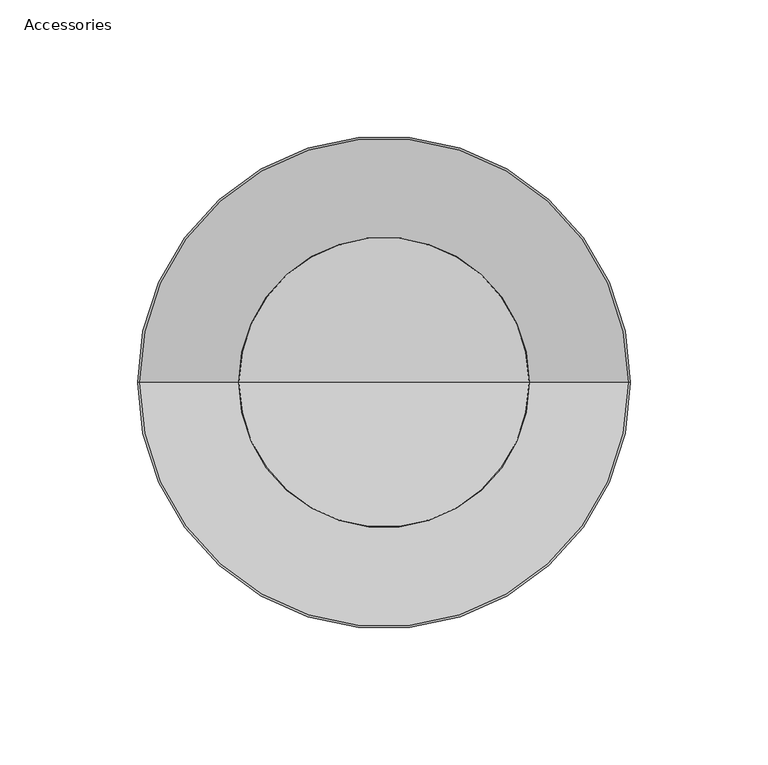
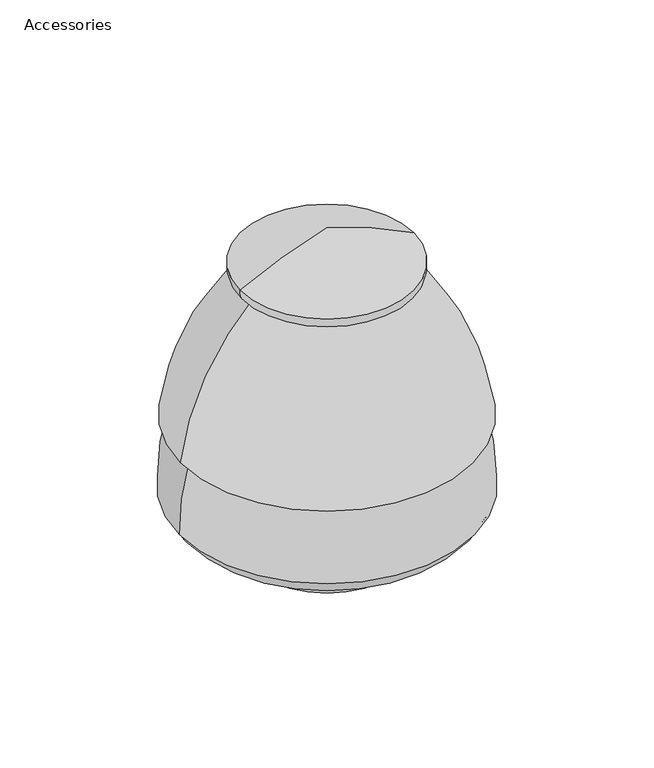
"""IFC4 building model written with IfcOpenShell, lengths in millimetres: furniture geometry, Accessories."""

import ifcopenshell
import ifcopenshell.guid

model = None  # the IFC model being written
_history = None  # IfcOwnerHistory: only IFC2X3 demands one
_inside = {}  # id of a spatial element -> (the spatial element, [elements in it])
_under = {}  # id of a project, library or spatial element -> (it, [spatial elements below it])
_declared = {}  # id of a project -> (the project, [libraries it declares])
_typed = {}  # id of a type object -> (the type object, [elements of that type])
_made_of = {}  # id of a material, layer set ... -> (it, [elements and type objects made of it])


def new_model(schema):
    """Start an empty IFC model of exactly this schema.

    Asked for "IFC4X3", IfcOpenShell would pick the latest addendum, in which some entities
    have other attributes; the version numbers below select the first issue.
    IFC2X3 requires an IfcOwnerHistory on every rooted entity: one is made here for all.
    """
    global model, _history
    if schema == "IFC4X3":
        model = ifcopenshell.file(schema_version=(4, 3, 0, 0))
    else:
        model = ifcopenshell.file(schema=schema)
    _inside.clear()
    _under.clear()
    _declared.clear()
    _typed.clear()
    _made_of.clear()
    _history = None
    if model.schema == "IFC2X3":
        org = make("IfcOrganization", Name="unknown")
        user = make(
            "IfcPersonAndOrganization",
            ThePerson=make("IfcPerson", FamilyName="unknown"),
            TheOrganization=org,
        )
        app = make(
            "IfcApplication",
            ApplicationDeveloper=org,
            Version="unknown",
            ApplicationFullName="unknown",
            ApplicationIdentifier="unknown",
        )
        _history = make(
            "IfcOwnerHistory",
            OwningUser=user,
            OwningApplication=app,
            ChangeAction="ADDED",
            CreationDate=0,
        )
    return model


def make(cls, **values):
    """One entity of the class cls with the attributes given. An attribute that is None is left unset."""
    return model.create_entity(
        cls, **{name: value for name, value in values.items() if value is not None}
    )


def rooted(cls, **values):
    """An entity with a GlobalId (a new one), such as an element, a storey or a relation."""
    return make(cls, GlobalId=ifcopenshell.guid.new(), OwnerHistory=_history, **values)


def si_unit(unit_type, name, prefix=None):
    """IfcSIUnit, for example si_unit("LENGTHUNIT", "METRE", prefix="MILLI")."""
    return make("IfcSIUnit", UnitType=unit_type, Prefix=prefix, Name=name)


def assignment(units):
    """IfcUnitAssignment: the units of a project."""
    return None if units is None else make("IfcUnitAssignment", Units=units)


def point(xyz):
    """IfcCartesianPoint."""
    return None if xyz is None else make("IfcCartesianPoint", Coordinates=xyz)


def direction(xyz):
    """IfcDirection."""
    return None if xyz is None else make("IfcDirection", DirectionRatios=xyz)


def frame(location, z_axis=None, x_axis=None):
    """IfcAxis2Placement3D, a coordinate frame: its origin and axes. An axis left out is left unset."""
    return make(
        "IfcAxis2Placement3D",
        Location=point(location),
        Axis=direction(z_axis),
        RefDirection=direction(x_axis),
    )


def origin():
    """The frame at (0, 0, 0) with its axes left unset."""
    return frame((0.0, 0.0, 0.0))


def place(relative_to, where):
    """IfcLocalPlacement: puts the frame where relative to a parent placement (None: the world)."""
    return make(
        "IfcLocalPlacement", PlacementRelTo=relative_to, RelativePlacement=where
    )


def context(
    kind, dimensions, precision=None, world=None, true_north=None, identifier=None
):
    """IfcGeometricRepresentationContext, for example the 3D "Model" context."""
    return make(
        "IfcGeometricRepresentationContext",
        ContextIdentifier=identifier,
        ContextType=kind,
        CoordinateSpaceDimension=dimensions,
        Precision=precision,
        WorldCoordinateSystem=world,
        TrueNorth=true_north,
    )


def project(units=None, contexts=None):
    """IfcProject with its units and contexts."""
    return rooted(
        "IfcProject",
        Name="project",
        RepresentationContexts=contexts,
        UnitsInContext=assignment(units),
    )


def spatial(cls, under=None, at=None, **own):
    """A site, building, storey or space (cls), placed at a placement, below another one or the project."""
    s = rooted(cls, ObjectPlacement=at, **own)
    if under is not None:
        _under.setdefault(under.id(), (under, []))[1].append(s)
    return s


def polyline(points):
    """IfcPolyline through the points."""
    return make("IfcPolyline", Points=[point(p) for p in points])


def circle_curve(where, radius):
    """IfcCircle in the frame where."""
    return make("IfcCircle", Position=where, Radius=radius)


def ellipse_curve(where, semi_axis1, semi_axis2):
    """IfcEllipse in the frame where."""
    return make(
        "IfcEllipse", Position=where, SemiAxis1=semi_axis1, SemiAxis2=semi_axis2
    )


def trimmed(basis, trim1, trim2, sense, master):
    """IfcTrimmedCurve: the piece of a basis curve between two trims."""
    return make(
        "IfcTrimmedCurve",
        BasisCurve=basis,
        Trim1=trim1,
        Trim2=trim2,
        SenseAgreement=sense,
        MasterRepresentation=master,
    )


def shape(context_of_items, identifier, shape_type, items):
    """IfcShapeRepresentation: the items that make up one representation, for example the "Body"."""
    return make(
        "IfcShapeRepresentation",
        ContextOfItems=context_of_items,
        RepresentationIdentifier=identifier,
        RepresentationType=shape_type,
        Items=items,
    )


def source(mapping_origin, context_of_items, identifier, shape_type, items):
    """IfcRepresentationMap: a shape defined once, which mapped items show again and again."""
    return make(
        "IfcRepresentationMap",
        MappingOrigin=mapping_origin,
        MappedRepresentation=shape(context_of_items, identifier, shape_type, items),
    )


def transform(
    local_origin,
    x_axis=None,
    y_axis=None,
    z_axis=None,
    scale=None,
    scale2=None,
    scale3=None,
    uniform=True,
):
    """IfcCartesianTransformationOperator3D, or its non-uniform kind. x_axis, y_axis, z_axis: its Axis1, 2, 3."""
    if uniform:
        return make(
            "IfcCartesianTransformationOperator3D",
            Axis1=direction(x_axis),
            Axis2=direction(y_axis),
            LocalOrigin=point(local_origin),
            Scale=scale,
            Axis3=direction(z_axis),
        )
    return make(
        "IfcCartesianTransformationOperator3DnonUniform",
        Axis1=direction(x_axis),
        Axis2=direction(y_axis),
        LocalOrigin=point(local_origin),
        Scale=scale,
        Axis3=direction(z_axis),
        Scale2=scale2,
        Scale3=scale3,
    )


def mapped(mapping_source, mapping_target):
    """IfcMappedItem: shows the shape of a source again, moved by a transform."""
    return make(
        "IfcMappedItem", MappingSource=mapping_source, MappingTarget=mapping_target
    )


def made_of(thing, what):
    """Note that an element or type object is made of a material, layer set ...; save() writes the relation."""
    if what is not None:
        _made_of.setdefault(what.id(), (what, []))[1].append(thing)
    return thing


def element(
    cls,
    number,
    at=None,
    inside=None,
    cuts=None,
    type_object=None,
    material=None,
    context=None,
    identifier="Body",
    shape_type=None,
    held_by="IfcProductDefinitionShape",
    body=None,
    shapes=None,
    **own,
):
    """One element of the class cls, such as IfcWall. Its Tag is "e" and its number.

    at: its placement. inside: the storey or other place that contains it. cuts: it is an
    opening in that element (IfcRelVoidsElement). A single representation is given by context,
    identifier, shape_type and body (its items); several are given by shapes. held_by: the class
    of the entity that holds the representations. save() writes the other relations.
    """
    e = rooted(cls, Tag="e%d" % number, ObjectPlacement=at, **own)
    if body is not None:
        shapes = [shape(context, identifier, shape_type, body)]
    if shapes is not None:
        e.Representation = make(held_by, Representations=shapes)
    if inside is not None:
        _inside.setdefault(inside.id(), (inside, []))[1].append(e)
    if cuts is not None:
        rooted(
            "IfcRelVoidsElement", RelatingBuildingElement=cuts, RelatedOpeningElement=e
        )
    if type_object is not None:
        _typed.setdefault(type_object.id(), (type_object, []))[1].append(e)
    return made_of(e, material)


def aggregate(whole, parts):
    """IfcRelAggregates: a whole, such as a stair, and the parts it consists of."""
    return rooted("IfcRelAggregates", RelatingObject=whole, RelatedObjects=parts)


def save(model, path):
    """Write the relations noted so far, then the file.

    IfcRelAggregates (storeys below a building ...), IfcRelContainedInSpatialStructure (elements
    in a storey), IfcRelDefinesByType, IfcRelAssociatesMaterial and IfcRelDeclares: one each for
    every whole, place, type object, material and project.
    """
    for whole, parts in _under.values():
        aggregate(whole, parts)
    for where, things in _inside.values():
        rooted(
            "IfcRelContainedInSpatialStructure",
            RelatedElements=things,
            RelatingStructure=where,
        )
    for kind, things in _typed.values():
        rooted("IfcRelDefinesByType", RelatedObjects=things, RelatingType=kind)
    for what, things in _made_of.values():
        rooted("IfcRelAssociatesMaterial", RelatedObjects=things, RelatingMaterial=what)
    for by, libraries in _declared.values():
        rooted("IfcRelDeclares", RelatingContext=by, RelatedDefinitions=libraries)
    model.write(path)


def plane_surface(at):
    """IfcPlane: the flat surface through the origin of the frame at, square to its z axis."""
    return make("IfcPlane", Position=at)


def cylinder_surface(at, radius):
    """IfcCylindricalSurface: all points at the distance radius from the z axis of the frame at."""
    return make("IfcCylindricalSurface", Position=at, Radius=radius)


def revolved_surface(curve, axis_point, axis_direction):
    """IfcSurfaceOfRevolution: the curve turned about the line through axis_point along axis_direction."""
    return make(
        "IfcSurfaceOfRevolution",
        SweptCurve=make("IfcArbitraryOpenProfileDef", ProfileType="CURVE", Curve=curve),
        AxisPosition=make("IfcAxis1Placement", Location=point(axis_point), Axis=direction(axis_direction)),
    )


def advanced_brep(points, edges, surfaces, faces):
    """IfcAdvancedBrep: a solid bounded by faces that lie on surfaces and meet in shared edges.

    An edge is (start, end): straight between two places in points (the first is 0);
    or (start, end, curve); or (start, end, curve, False) where it runs against its curve.
    A face is (place in surfaces, loops), or (place, loops, False) where it looks against
    its surface's normal. A loop lists edges by number (the first is 1), with a minus sign
    where the edge is run from its end to its start. The first loop is the outer one.
    """
    corners = [point(p) for p in points]
    vertices = [make("IfcVertexPoint", VertexGeometry=c) for c in corners]
    made = []
    for start, end, *more in edges:
        made.append(
            make(
                "IfcEdgeCurve",
                EdgeStart=vertices[start],
                EdgeEnd=vertices[end],
                EdgeGeometry=more[0] if more else make("IfcPolyline", Points=[corners[start], corners[end]]),
                SameSense=more[1] if len(more) > 1 else True,
            )
        )
    hull = []
    for where, loops, *sense in faces:
        bounds = []
        for j, loop in enumerate(loops):
            ring = [make("IfcOrientedEdge", EdgeElement=made[abs(k) - 1], Orientation=k > 0) for k in loop]
            bounds.append(
                make(
                    "IfcFaceOuterBound" if j == 0 else "IfcFaceBound",
                    Bound=make("IfcEdgeLoop", EdgeList=ring),
                    Orientation=True,
                )
            )
        hull.append(make("IfcAdvancedFace", Bounds=bounds, FaceSurface=surfaces[where], SameSense=sense[0] if sense else True))
    return make("IfcAdvancedBrep", Outer=make("IfcClosedShell", CfsFaces=hull))


def accessories_971e76fd(model_context):
    return source(origin(), model_context, "Body", "AdvancedBrep", [
        advanced_brep(
        [(-413.0896781, 345.7919098, 173.3201257), (-309.1781385, 345.7919098, 173.3201257), (-308.3865398, 345.7919098, 178.8042568), (-413.8812767, 345.7919098, 178.8042568), (-403.5723804, 345.7919098, 173.3201257), (-318.6954362, 345.7919098, 173.3201257), (-449.9452228, 345.7919098, 80.7331717), (-272.3225938, 345.7919098, 80.7331717), (-444.9574912, 345.7919098, 78.8145025), (-277.3103253, 345.7919098, 78.8145025), (-450.7286052, 345.7919098, 34.6233091), (-271.5392113, 345.7919098, 34.6233091), (-449.4808071, 345.7919098, 33.9131644), (-272.7870095, 345.7919098, 33.9131644), (-430.7708572, 345.7919098, 19.4630925), (-291.4969594, 345.7919098, 19.4630925), (-402.4458964, 345.7919098, 15.8308742), (-319.8219201, 345.7919098, 15.8308742), (-402.8507838, 345.7919098, 1.9684731), (-319.4170327, 345.7919098, 1.9684731), (-409.7565285, 345.7919098, 1.9684731), (-312.511288, 345.7919098, 1.9684731), (-409.7565285, 345.7919098, 0.0), (-312.511288, 345.7919098, 0.0), (-361.1339083, 345.7919098, 0.0), (-361.1339083, 345.7919098, 200.4112223)],
        [
            (0, 1, circle_curve(frame((-361.1339083, 345.7919098, 173.3201257), z_axis=(0.0, 0.0, 1.0), x_axis=(1.0, 0.0, 0.0)), 51.9557698)),
            (1, 2, circle_curve(frame((-319.1677231, 345.7919098, 177.5612539), z_axis=(0.0, -1.0, 0.0), x_axis=(1.0, 0.0, 0.0)), 10.852602)),
            (2, 3, circle_curve(frame((-361.1339083, 345.7919098, 178.8042568), z_axis=(0.0, 0.0, -1.0), x_axis=(1.0, 0.0, 0.0)), 52.7473685)),
            (3, 0, circle_curve(frame((-403.1000934, 345.7919098, 177.5612539), z_axis=(0.0, -1.0, 0.0), x_axis=(-1.0, 0.0, 0.0)), 10.852602)),
            (1, 0, circle_curve(frame((-361.1339083, 345.7919098, 173.3201257), z_axis=(0.0, 0.0, 1.0), x_axis=(1.0, 0.0, 0.0)), 51.9557698)),
            (3, 2, circle_curve(frame((-361.1339083, 345.7919098, 178.8042568), z_axis=(0.0, 0.0, -1.0), x_axis=(1.0, 0.0, 0.0)), 52.7473685)),
            (4, 5, circle_curve(frame((-361.1339083, 345.7919098, 173.3201257), z_axis=(0.0, 0.0, 1.0), x_axis=(1.0, 0.0, 0.0)), 42.4384721)),
            (5, 1),
            (0, 4),
            (5, 4, circle_curve(frame((-361.1339083, 345.7919098, 173.3201257), z_axis=(0.0, 0.0, 1.0), x_axis=(1.0, 0.0, 0.0)), 42.4384721)),
            (6, 7, circle_curve(frame((-361.1339083, 345.7919098, 80.7331717), z_axis=(0.0, 0.0, 1.0), x_axis=(1.0, 0.0, 0.0)), 88.8113145)),
            (7, 5, circle_curve(frame((-423.5021245, 345.7919098, 62.9203784), z_axis=(0.0, -1.0, 0.0), x_axis=(1.0, 0.0, 0.0)), 152.2253137)),
            (4, 6, circle_curve(frame((-298.765692, 345.7919098, 62.9203784), z_axis=(0.0, -1.0, 0.0), x_axis=(-1.0, 0.0, 0.0)), 152.2253137)),
            (7, 6, circle_curve(frame((-361.1339083, 345.7919098, 80.7331717), z_axis=(0.0, 0.0, 1.0), x_axis=(1.0, 0.0, 0.0)), 88.8113145)),
            (8, 9, circle_curve(frame((-361.1339083, 345.7919098, 78.8145025), z_axis=(0.0, 0.0, 1.0), x_axis=(1.0, 0.0, 0.0)), 83.823583)),
            (9, 7),
            (6, 8),
            (9, 8, circle_curve(frame((-361.1339083, 345.7919098, 78.8145025), z_axis=(0.0, 0.0, 1.0), x_axis=(1.0, 0.0, 0.0)), 83.823583)),
            (10, 11, circle_curve(frame((-361.1339083, 345.7919098, 34.6233091), z_axis=(0.0, 0.0, 1.0), x_axis=(1.0, 0.0, 0.0)), 89.5946969)),
            (11, 9, circle_curve(frame((-436.8583376, 345.7919098, 35.5060223), z_axis=(0.0, -1.0, 0.0), x_axis=(1.0, 0.0, 0.0)), 165.3214828)),
            (8, 10, circle_curve(frame((-285.4094789, 345.7919098, 35.5060223), z_axis=(0.0, -1.0, 0.0), x_axis=(-1.0, 0.0, 0.0)), 165.3214828)),
            (11, 10, circle_curve(frame((-361.1339083, 345.7919098, 34.6233091), z_axis=(0.0, 0.0, 1.0), x_axis=(1.0, 0.0, 0.0)), 89.5946969)),
            (12, 13, circle_curve(frame((-361.1339083, 345.7919098, 33.9131644), z_axis=(0.0, 0.0, 1.0), x_axis=(1.0, 0.0, 0.0)), 88.3468988)),
            (13, 11),
            (10, 12),
            (13, 12, circle_curve(frame((-361.1339083, 345.7919098, 33.9131644), z_axis=(0.0, 0.0, 1.0), x_axis=(1.0, 0.0, 0.0)), 88.3468988)),
            (14, 15, circle_curve(frame((-361.1339083, 345.7919098, 19.4630925), z_axis=(0.0, 0.0, 1.0), x_axis=(1.0, 0.0, 0.0)), 69.6369489)),
            (15, 13, circle_curve(frame((-294.4704339, 345.7919098, 42.6510022), z_axis=(0.0, -1.0, 0.0), x_axis=(1.0, 0.0, 0.0)), 23.3777824)),
            (12, 14, circle_curve(frame((-427.7973826, 345.7919098, 42.6510022), z_axis=(0.0, -1.0, 0.0), x_axis=(-1.0, 0.0, 0.0)), 23.3777824)),
            (15, 14, circle_curve(frame((-361.1339083, 345.7919098, 19.4630925), z_axis=(0.0, 0.0, 1.0), x_axis=(1.0, 0.0, 0.0)), 69.6369489)),
            (16, 17, circle_curve(frame((-361.1339083, 345.7919098, 15.8308742), z_axis=(0.0, 0.0, 1.0), x_axis=(1.0, 0.0, 0.0)), 41.3119882)),
            (17, 15),
            (14, 16),
            (17, 16, circle_curve(frame((-361.1339083, 345.7919098, 15.8308742), z_axis=(0.0, 0.0, 1.0), x_axis=(1.0, 0.0, 0.0)), 41.3119882)),
            (18, 19, circle_curve(frame((-361.1339083, 345.7919098, 1.9684731), z_axis=(0.0, 0.0, 1.0), x_axis=(1.0, 0.0, 0.0)), 41.7168756)),
            (19, 17),
            (16, 18),
            (19, 18, circle_curve(frame((-361.1339083, 345.7919098, 1.9684731), z_axis=(0.0, 0.0, 1.0), x_axis=(1.0, 0.0, 0.0)), 41.7168756)),
            (20, 21, circle_curve(frame((-361.1339083, 345.7919098, 1.9684731), z_axis=(0.0, 0.0, 1.0), x_axis=(1.0, 0.0, 0.0)), 48.6226202)),
            (21, 19),
            (18, 20),
            (21, 20, circle_curve(frame((-361.1339083, 345.7919098, 1.9684731), z_axis=(0.0, 0.0, 1.0), x_axis=(1.0, 0.0, 0.0)), 48.6226202)),
            (22, 23, circle_curve(frame((-361.1339083, 345.7919098, 0.0), z_axis=(0.0, 0.0, 1.0), x_axis=(1.0, 0.0, 0.0)), 48.6226202)),
            (23, 21),
            (20, 22),
            (23, 22, circle_curve(frame((-361.1339083, 345.7919098, 0.0), z_axis=(0.0, 0.0, 1.0), x_axis=(1.0, 0.0, 0.0)), 48.6226202)),
            (24, 23),
            (22, 24),
            (2, 25, circle_curve(frame((-422.7451879, 345.7919098, -25.1829627), z_axis=(0.0, -1.0, 0.0), x_axis=(1.0, 0.0, 0.0)), 233.8561226)),
            (25, 3, circle_curve(frame((-299.5226286, 345.7919098, -25.1829627), z_axis=(0.0, -1.0, 0.0), x_axis=(-1.0, 0.0, 0.0)), 233.8561226)),
        ],
        [
            revolved_surface(trimmed(ellipse_curve(frame((-319.1677231, 345.7919098, 177.5612539), z_axis=(0.0, 1.0, 0.0), x_axis=(1.0, 0.0, 0.0)), 10.852602, 10.852602), [point((-308.3865398, 345.7919098, 178.8042568))], [point((-309.1781385, 345.7919098, 173.3201257))], True, "CARTESIAN"), (-361.1339083, 345.7919098, 223.0628), (0.0, 0.0, -1.0)),
            plane_surface(frame((-361.1339083, 345.7919098, 173.3201257), z_axis=(0.0, 0.0, -1.0), x_axis=(1.0, 0.0, 0.0))),
            revolved_surface(trimmed(ellipse_curve(frame((-423.5021245, 345.7919098, 62.9203784), z_axis=(0.0, 1.0, 0.0), x_axis=(1.0, 0.0, 0.0)), 152.2253137, 152.2253137), [point((-318.6954362, 345.7919098, 173.3201257))], [point((-272.3225938, 345.7919098, 80.7331717))], True, "CARTESIAN"), (-361.1339083, 345.7919098, 223.0628), (0.0, 0.0, -1.0)),
            revolved_surface(polyline([(-272.3225938, 345.7919098, 80.7331717), (-277.3103253, 345.7919098, 78.8145025)]), (-361.1339083, 345.7919098, 223.0628), (0.0, 0.0, -1.0)),
            revolved_surface(trimmed(ellipse_curve(frame((-436.8583376, 345.7919098, 35.5060223), z_axis=(0.0, 1.0, 0.0), x_axis=(1.0, 0.0, 0.0)), 165.3214828, 165.3214828), [point((-277.3103253, 345.7919098, 78.8145025))], [point((-271.5392113, 345.7919098, 34.6233091))], True, "CARTESIAN"), (-361.1339083, 345.7919098, 223.0628), (0.0, 0.0, -1.0)),
            revolved_surface(polyline([(-271.5392113, 345.7919098, 34.6233091), (-272.7870095, 345.7919098, 33.9131644)]), (-361.1339083, 345.7919098, 223.0628), (0.0, 0.0, -1.0)),
            revolved_surface(trimmed(ellipse_curve(frame((-294.4704339, 345.7919098, 42.6510022), z_axis=(0.0, 1.0, 0.0), x_axis=(1.0, 0.0, 0.0)), 23.3777824, 23.3777824), [point((-272.7870095, 345.7919098, 33.9131644))], [point((-291.4969594, 345.7919098, 19.4630925))], True, "CARTESIAN"), (-361.1339083, 345.7919098, 223.0628), (0.0, 0.0, -1.0)),
            revolved_surface(polyline([(-291.4969594, 345.7919098, 19.4630925), (-319.8219201, 345.7919098, 15.8308742)]), (-361.1339083, 345.7919098, 223.0628), (0.0, 0.0, -1.0)),
            revolved_surface(polyline([(-319.8219201, 345.7919098, 15.8308742), (-319.4170327, 345.7919098, 1.9684731)]), (-361.1339083, 345.7919098, 223.0628), (0.0, 0.0, -1.0)),
            plane_surface(frame((-361.1339083, 345.7919098, 1.9684731), z_axis=(0.0, 0.0, 1.0), x_axis=(1.0, 0.0, 0.0))),
            cylinder_surface(frame((-361.1339083, 345.7919098, 223.0628), z_axis=(0.0, 0.0, -1.0), x_axis=(1.0, 0.0, 0.0)), 48.6226202),
            plane_surface(frame((-361.1339083, 345.7919098, 0.0), z_axis=(0.0, 0.0, -1.0), x_axis=(1.0, 0.0, 0.0))),
            revolved_surface(trimmed(ellipse_curve(frame((-422.7451879, 345.7919098, -25.1829627), z_axis=(0.0, 1.0, 0.0), x_axis=(1.0, 0.0, 0.0)), 233.8561226, 233.8561226), [point((-361.1339083, 345.7919098, 200.4112223))], [point((-308.3865398, 345.7919098, 178.8042568))], True, "CARTESIAN"), (-361.1339083, 345.7919098, 223.0628), (0.0, 0.0, -1.0)),
        ],
        [
            (0, [[1, 2, 3, 4]]),
            (0, [[5, -4, 6, -2]]),
            (1, [[7, 8, -1, 9]]),
            (1, [[10, -9, -5, -8]]),
            (2, [[11, 12, -7, 13]]),
            (2, [[14, -13, -10, -12]]),
            (3, [[15, 16, -11, 17]]),
            (3, [[18, -17, -14, -16]]),
            (4, [[19, 20, -15, 21]]),
            (4, [[22, -21, -18, -20]]),
            (5, [[23, 24, -19, 25]]),
            (5, [[26, -25, -22, -24]]),
            (6, [[27, 28, -23, 29]]),
            (6, [[30, -29, -26, -28]]),
            (7, [[31, 32, -27, 33]]),
            (7, [[34, -33, -30, -32]]),
            (8, [[35, 36, -31, 37]]),
            (8, [[38, -37, -34, -36]]),
            (9, [[39, 40, -35, 41]]),
            (9, [[42, -41, -38, -40]]),
            (10, [[43, 44, -39, 45]]),
            (10, [[46, -45, -42, -44]]),
            (11, [[47, -43, 48]]),
            (11, [[-48, -46, -47]]),
            (12, [[-3, 49, 50]]),
            (12, [[-6, -50, -49]]),
        ],
    ),
    ])


if __name__ == "__main__":
    model = new_model("IFC4")
    model_context = context("Model", 3, world=origin())
    ifc_project = project(units=[si_unit("LENGTHUNIT", "METRE", prefix="MILLI")], contexts=[model_context])
    site = spatial("IfcSite", under=ifc_project)
    building = spatial("IfcBuilding", under=site)
    placement = place(None, origin())
    accessories_shape = accessories_971e76fd(model_context)
    element("IfcFurniture", 1, ObjectType="Accessories", at=placement, inside=building, context=model_context, shape_type="MappedRepresentation", body=[
        mapped(accessories_shape, transform((0.0, 0.0, 0.0), x_axis=(1.0, 0.0, 0.0), y_axis=(0.0, 1.0, 0.0), z_axis=(0.0, 0.0, 1.0))),
    ])
    save(model, "model.ifc")
